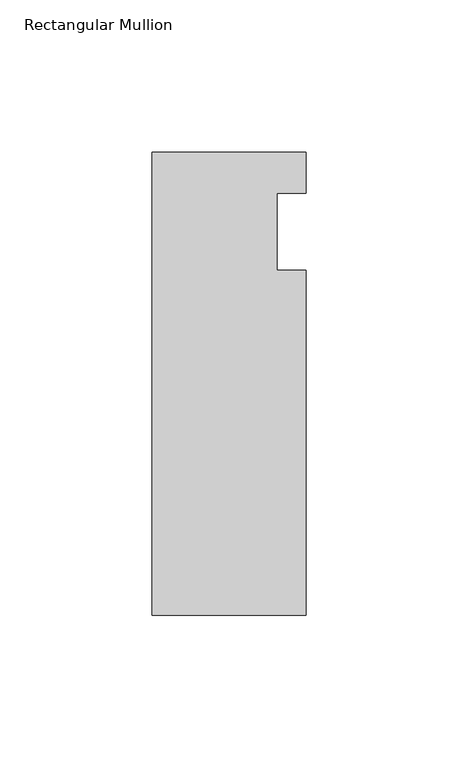
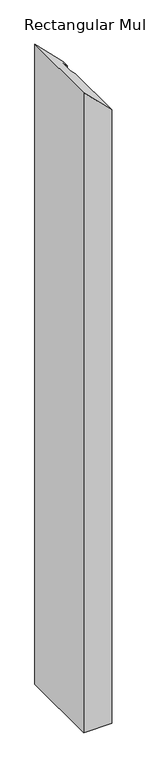
"""IFC4 building model written with IfcOpenShell, lengths in millimetres: member geometry, Rectangular Mullion."""

from ifc_helpers import new_model, si_unit, origin, place, context, project, spatial, faceted_brep, source, transform, mapped, element, save


def rectangular_mullion_236eb482(model_context):
    return source(origin(), model_context, "Body", "Brep", [
        faceted_brep([(-25.4, 26.19375, -1155.7), (25.4, 26.19375, -1155.7), (25.4, 12.7, -1155.7), (15.875, 12.7, -1155.7), (15.875, -12.7, -1155.7), (25.4, -12.7, -1155.7), (25.4, -126.20625, -1155.7), (-25.4, -126.20625, -1155.7), (-25.4, -126.20625, 66.675), (-25.4, 26.19375, 66.675), (25.4, -126.20625, 15.875), (25.4, -12.7, 15.875), (15.875, -12.7, 25.4), (15.875, 12.7, 25.4), (25.4, 12.7, 15.875), (25.4, 26.19375, 15.875)], [[[0, 1, 2, 3, 4, 5, 6, 7]], [[8, 9, 0, 7]], [[10, 8, 7, 6]], [[11, 10, 6, 5]], [[12, 11, 5, 4]], [[13, 12, 4, 3]], [[14, 13, 3, 2]], [[15, 14, 2, 1]], [[9, 15, 1, 0]], [[9, 8, 10, 11, 12, 13, 14, 15]]]),
    ])


if __name__ == "__main__":
    model = new_model("IFC4")
    model_context = context("Model", 3, world=origin())
    ifc_project = project(units=[si_unit("LENGTHUNIT", "METRE", prefix="MILLI")], contexts=[model_context])
    site = spatial("IfcSite", under=ifc_project)
    building = spatial("IfcBuilding", under=site)
    placement = place(None, origin())
    rectangular_mullion_shape = rectangular_mullion_236eb482(model_context)
    element("IfcMember", 1, ObjectType="Rectangular Mullion", at=placement, inside=building, context=model_context, shape_type="MappedRepresentation", body=[
        mapped(rectangular_mullion_shape, transform((0.0, 0.0, 0.0), x_axis=(1.0, 0.0, 0.0), y_axis=(0.0, 1.0, 0.0), z_axis=(0.0, 0.0, 1.0))),
    ])
    save(model, "model.ifc")
